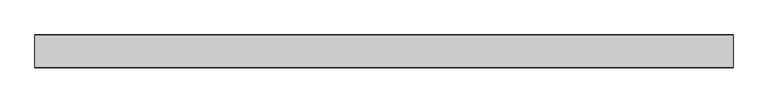
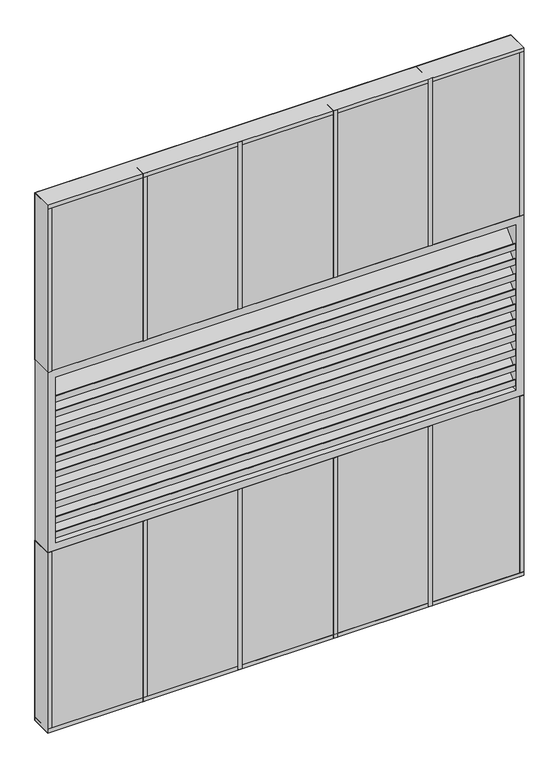
"""IFC4 building model written with IfcOpenShell, lengths in millimetres: plate geometry."""

from ifc_helpers import new_model, si_unit, frame, origin, origin_with_axes, place, context, project, spatial, polyline, outline, extrude, source, transform, mapped, element, save


def plate_6517e1c5(model_context):
    return source(origin(), model_context, "Body", "SweptSolid", [
        extrude(outline(polyline([(-32.925, 698.8386667), (-32.925, 719.8386667), (-30.9282899, 719.8386667), (-30.9282899, 701.6638039), (31.3024473, 763.8945411), (18.925, 763.8945411), (18.925, 765.8945411), (32.925, 765.8945411), (32.925, 751.8945411), (30.925, 751.8945411), (30.925, 760.6886667), (-30.925, 698.8386667), (-32.925, 698.8386667)])), frame((-736.6, 0.0, 0.0), z_axis=(1.0, 0.0, 0.0), x_axis=(0.0, 1.0, 0.0)), (0.0, 0.0, 1.0), 1473.2),
        extrude(outline(polyline([(-32.925, 749.9773333), (-32.925, 770.9773333), (-30.9282899, 770.9773333), (-30.9282899, 752.8024706), (31.3024473, 815.0332078), (18.925, 815.0332078), (18.925, 817.0332078), (32.925, 817.0332078), (32.925, 803.0332078), (30.925, 803.0332078), (30.925, 811.8273333), (-30.925, 749.9773333), (-32.925, 749.9773333)])), frame((-736.6, 0.0, 0.0), z_axis=(1.0, 0.0, 0.0), x_axis=(0.0, 1.0, 0.0)), (0.0, 0.0, 1.0), 1473.2),
        extrude(outline(polyline([(-32.925, 801.116), (-32.925, 822.116), (-30.9282899, 822.116), (-30.9282899, 803.9411372), (31.3024473, 866.1718744), (18.925, 866.1718744), (18.925, 868.1718744), (32.925, 868.1718744), (32.925, 854.1718744), (30.925, 854.1718744), (30.925, 862.966), (-30.925, 801.116), (-32.925, 801.116)])), frame((-736.6, 0.0, 0.0), z_axis=(1.0, 0.0, 0.0), x_axis=(0.0, 1.0, 0.0)), (0.0, 0.0, 1.0), 1473.2),
        extrude(outline(polyline([(-32.925, 852.2546667), (-32.925, 873.2546667), (-30.9282899, 873.2546667), (-30.9282899, 855.0798039), (31.3024473, 917.3105411), (18.925, 917.3105411), (18.925, 919.3105411), (32.925, 919.3105411), (32.925, 905.3105411), (30.925, 905.3105411), (30.925, 914.1046667), (-30.925, 852.2546667), (-32.925, 852.2546667)])), frame((-736.6, 0.0, 0.0), z_axis=(1.0, 0.0, 0.0), x_axis=(0.0, 1.0, 0.0)), (0.0, 0.0, 1.0), 1473.2),
        extrude(outline(polyline([(-32.925, 903.3933333), (-32.925, 924.3933333), (-30.9282899, 924.3933333), (-30.9282899, 906.2184706), (31.3024473, 968.4492078), (18.925, 968.4492078), (18.925, 970.4492078), (32.925, 970.4492078), (32.925, 956.4492078), (30.925, 956.4492078), (30.925, 965.2433333), (-30.925, 903.3933333), (-32.925, 903.3933333)])), frame((-736.6, 0.0, 0.0), z_axis=(1.0, 0.0, 0.0), x_axis=(0.0, 1.0, 0.0)), (0.0, 0.0, 1.0), 1473.2),
        extrude(outline(polyline([(-32.925, 954.532), (-32.925, 975.532), (-30.9282899, 975.532), (-30.9282899, 957.3571372), (31.3024473, 1019.5878744), (18.925, 1019.5878744), (18.925, 1021.5878744), (32.925, 1021.5878744), (32.925, 1007.5878744), (30.925, 1007.5878744), (30.925, 1016.382), (-30.925, 954.532), (-32.925, 954.532)])), frame((-736.6, 0.0, 0.0), z_axis=(1.0, 0.0, 0.0), x_axis=(0.0, 1.0, 0.0)), (0.0, 0.0, 1.0), 1473.2),
        extrude(outline(polyline([(-32.925, 1005.6706667), (-32.925, 1026.6706667), (-30.9282899, 1026.6706667), (-30.9282899, 1008.4958039), (31.3024473, 1070.7265411), (18.925, 1070.7265411), (18.925, 1072.7265411), (32.925, 1072.7265411), (32.925, 1058.7265411), (30.925, 1058.7265411), (30.925, 1067.5206667), (-30.925, 1005.6706667), (-32.925, 1005.6706667)])), frame((-736.6, 0.0, 0.0), z_axis=(1.0, 0.0, 0.0), x_axis=(0.0, 1.0, 0.0)), (0.0, 0.0, 1.0), 1473.2),
        extrude(outline(polyline([(-32.925, 1056.8093333), (-32.925, 1077.8093333), (-30.9282899, 1077.8093333), (-30.9282899, 1059.6344706), (31.3024473, 1121.8652078), (18.925, 1121.8652078), (18.925, 1123.8652078), (32.925, 1123.8652078), (32.925, 1109.8652078), (30.925, 1109.8652078), (30.925, 1118.6593333), (-30.925, 1056.8093333), (-32.925, 1056.8093333)])), frame((-736.6, 0.0, 0.0), z_axis=(1.0, 0.0, 0.0), x_axis=(0.0, 1.0, 0.0)), (0.0, 0.0, 1.0), 1473.2),
        extrude(outline(polyline([(-32.925, 647.7), (-32.925, 668.7), (-30.9282899, 668.7), (-30.9282899, 650.5251372), (31.3024473, 712.7558744), (18.925, 712.7558744), (18.925, 714.7558744), (32.925, 714.7558744), (32.925, 700.7558744), (30.925, 700.7558744), (30.925, 709.55), (-30.925, 647.7), (-32.925, 647.7)])), frame((-736.6, 0.0, 0.0), z_axis=(1.0, 0.0, 0.0), x_axis=(0.0, 1.0, 0.0)), (0.0, 0.0, 1.0), 1473.2),
        extrude(outline(polyline([(-32.925, 1107.948), (-32.925, 1128.948), (-30.9282899, 1128.948), (-30.9282899, 1110.7731372), (31.3024473, 1173.0038744), (18.925, 1173.0038744), (18.925, 1175.0038744), (32.925, 1175.0038744), (32.925, 1161.0038744), (30.925, 1161.0038744), (30.925, 1169.798), (-30.925, 1107.948), (-32.925, 1107.948)])), frame((-736.6, 0.0, 0.0), z_axis=(1.0, 0.0, 0.0), x_axis=(0.0, 1.0, 0.0)), (0.0, 0.0, 1.0), 1473.2),
        extrude(outline(polyline([(762.0, -34.925), (-762.0, -34.925), (-762.0, 34.925), (762.0, 34.925), (762.0, -34.925)])), origin_with_axes(), (0.0, 0.0, 1.0), 609.6),
        extrude(outline(polyline([(1219.2, 762.0), (1219.2, -762.0), (609.6, -762.0), (609.6, 762.0), (1219.2, 762.0)]), holes=[polyline([(1193.8, -736.6), (1193.8, 736.6), (635.0, 736.6), (635.0, -736.6), (1193.8, -736.6)])]), frame((0.0, -34.925, 0.0), z_axis=(0.0, 1.0, 0.0), x_axis=(0.0, 0.0, 1.0)), (0.0, 0.0, 1.0), 69.85),
        extrude(outline(polyline([(762.0, -34.925), (-762.0, -34.925), (-762.0, 34.925), (762.0, 34.925), (762.0, -34.925)])), frame((0.0, 0.0, 1219.2), z_axis=(0.0, 0.0, 1.0), x_axis=(1.0, 0.0, 0.0)), (0.0, 0.0, 1.0), 565.15),
        extrude(outline(polyline([(469.9, -35.71875), (457.2, -35.71875), (457.2, 35.71875), (469.9, 35.71875), (469.9, -35.71875)])), origin_with_axes(), (0.0, 0.0, 1.0), 609.6),
        extrude(outline(polyline([(165.1, -35.71875), (152.4, -35.71875), (152.4, 35.71875), (165.1, 35.71875), (165.1, -35.71875)])), origin_with_axes(), (0.0, 0.0, 1.0), 609.6),
        extrude(outline(polyline([(-139.7, -35.71875), (-152.4, -35.71875), (-152.4, 35.71875), (-139.7, 35.71875), (-139.7, -35.71875)])), origin_with_axes(), (0.0, 0.0, 1.0), 609.6),
        extrude(outline(polyline([(469.9, -35.71875), (457.2, -35.71875), (457.2, 35.71875), (469.9, 35.71875), (469.9, -35.71875)])), frame((0.0, 0.0, 1219.2), z_axis=(0.0, 0.0, 1.0), x_axis=(1.0, 0.0, 0.0)), (0.0, 0.0, 1.0), 565.15),
        extrude(outline(polyline([(165.1, -35.71875), (152.4, -35.71875), (152.4, 35.71875), (165.1, 35.71875), (165.1, -35.71875)])), frame((0.0, 0.0, 1219.2), z_axis=(0.0, 0.0, 1.0), x_axis=(1.0, 0.0, 0.0)), (0.0, 0.0, 1.0), 565.15),
        extrude(outline(polyline([(-139.7, -35.71875), (-152.4, -35.71875), (-152.4, 35.71875), (-139.7, 35.71875), (-139.7, -35.71875)])), frame((0.0, 0.0, 1219.2), z_axis=(0.0, 0.0, 1.0), x_axis=(1.0, 0.0, 0.0)), (0.0, 0.0, 1.0), 565.15),
        extrude(outline(polyline([(762.0, -35.71875), (-762.0, -35.71875), (-762.0, 35.71875), (762.0, 35.71875), (762.0, -35.71875)])), origin_with_axes(), (0.0, 0.0, 1.0), 12.7),
        extrude(outline(polyline([(-444.5, -35.71875), (-457.2, -35.71875), (-457.2, 35.71875), (-444.5, 35.71875), (-444.5, -35.71875)])), origin_with_axes(), (0.0, 0.0, 1.0), 609.6),
        extrude(outline(polyline([(749.3, -35.71875), (749.3, 35.71875), (762.0, 35.71875), (762.0, -35.71875), (749.3, -35.71875)])), origin_with_axes(), (0.0, 0.0, 1.0), 609.6),
        extrude(outline(polyline([(-749.3, -35.71875), (-762.0, -35.71875), (-762.0, 35.71875), (-749.3, 35.71875), (-749.3, -35.71875)])), origin_with_axes(), (0.0, 0.0, 1.0), 609.6),
        extrude(outline(polyline([(762.0, -35.71875), (-762.0, -35.71875), (-762.0, 35.71875), (762.0, 35.71875), (762.0, -35.71875)])), frame((0.0, 0.0, 1771.65), z_axis=(0.0, 0.0, 1.0), x_axis=(1.0, 0.0, 0.0)), (0.0, 0.0, 1.0), 12.7),
        extrude(outline(polyline([(-444.5, -35.71875), (-457.2, -35.71875), (-457.2, 35.71875), (-444.5, 35.71875), (-444.5, -35.71875)])), frame((0.0, 0.0, 1219.2), z_axis=(0.0, 0.0, 1.0), x_axis=(1.0, 0.0, 0.0)), (0.0, 0.0, 1.0), 565.15),
        extrude(outline(polyline([(762.0, -35.71875), (749.3, -35.71875), (749.3, 35.71875), (762.0, 35.71875), (762.0, -35.71875)])), frame((0.0, 0.0, 1219.2), z_axis=(0.0, 0.0, 1.0), x_axis=(1.0, 0.0, 0.0)), (0.0, 0.0, 1.0), 565.15),
        extrude(outline(polyline([(-749.3, -35.71875), (-762.0, -35.71875), (-762.0, 35.71875), (-749.3, 35.71875), (-749.3, -35.71875)])), frame((0.0, 0.0, 1219.2), z_axis=(0.0, 0.0, 1.0), x_axis=(1.0, 0.0, 0.0)), (0.0, 0.0, 1.0), 565.15),
    ])


if __name__ == "__main__":
    model = new_model("IFC4")
    model_context = context("Model", 3, world=origin())
    ifc_project = project(units=[si_unit("LENGTHUNIT", "METRE", prefix="MILLI")], contexts=[model_context])
    site = spatial("IfcSite", under=ifc_project)
    building = spatial("IfcBuilding", under=site)
    placement = place(None, origin())
    plate_shape = plate_6517e1c5(model_context)
    element("IfcPlate", 1, at=placement, inside=building, context=model_context, shape_type="MappedRepresentation", body=[
        mapped(plate_shape, transform((0.0, 0.0, 0.0), x_axis=(1.0, 0.0, 0.0), y_axis=(0.0, 1.0, 0.0), z_axis=(0.0, 0.0, 1.0))),
    ])
    save(model, "model.ifc")
